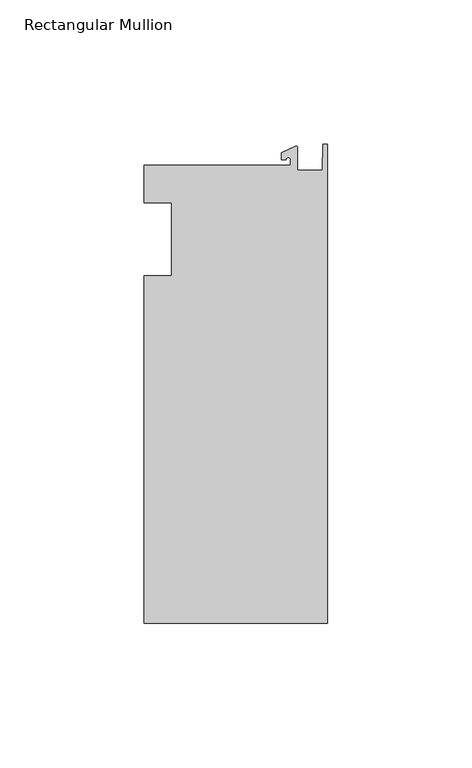
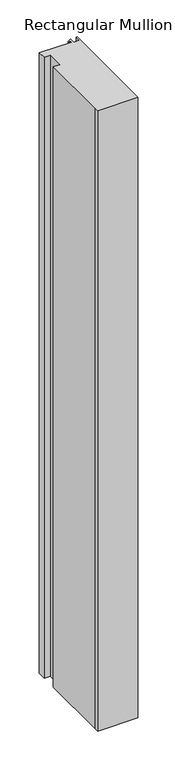
"""IFC4 building model written with IfcOpenShell, lengths in millimetres: member geometry, Rectangular Mullion."""

from ifc_helpers import new_model, si_unit, point, frame, frame_2d, origin, place, context, project, spatial, polyline, circle_curve, trimmed, segment, composite_curve, outline, extrude, source, transform, mapped, element, save


def rectangular_mullion_b9a8149f(model_context):
    return source(origin(), model_context, "Body", "SweptSolid", [
        extrude(outline(composite_curve([segment(polyline([(-12.8216721, 25.5984375), (-12.8216721, 27.5208534)]), True, "CONTINUOUS"), segment(trimmed(circle_curve(frame_2d((-13.6154221, 27.5208534)), 0.79375), [point((-12.8216721, 27.5208534))], [point((-14.4091721, 27.5208534))], True, "CARTESIAN"), True, "CONTINUOUS"), segment(polyline([(-14.4091721, 27.5208534), (-15.9966721, 27.5208534), (-15.9966721, 29.8830527), (-11.1567622, 32.1399398)]), True, "CONTINUOUS"), segment(trimmed(circle_curve(frame_2d((-10.9420721, 31.6795354)), 0.508), [point((-11.1567622, 32.1399398))], [point((-10.4340721, 31.6795354))], False, "CARTESIAN"), True, "CONTINUOUS"), segment(polyline([(-10.4340721, 31.6795354), (-10.4340721, 23.9227662), (-1.7144124, 23.9227662), (-1.5566453, 32.810012), (0.0, 32.810012), (0.0, -132.822512), (-63.5, -132.822512), (-63.5, -125.075512), (-63.5, -12.7), (-53.975, -12.7), (-53.975, 12.7), (-63.5, 12.7), (-63.5, 25.5984375), (-12.8216721, 25.5984375)]), True, "CONTINUOUS")], self_intersect=False)), frame((0.0, 0.0, -1031.45242), z_axis=(0.0, 0.0, 1.0), x_axis=(1.0, 0.0, 0.0)), (0.0, 0.0, 1.0), 1031.45242),
    ])


if __name__ == "__main__":
    model = new_model("IFC4")
    model_context = context("Model", 3, world=origin())
    ifc_project = project(units=[si_unit("LENGTHUNIT", "METRE", prefix="MILLI")], contexts=[model_context])
    site = spatial("IfcSite", under=ifc_project)
    building = spatial("IfcBuilding", under=site)
    placement = place(None, origin())
    rectangular_mullion_shape = rectangular_mullion_b9a8149f(model_context)
    element("IfcMember", 1, ObjectType="Rectangular Mullion", at=placement, inside=building, context=model_context, shape_type="MappedRepresentation", body=[
        mapped(rectangular_mullion_shape, transform((0.0, 0.0, 0.0), x_axis=(1.0, 0.0, 0.0), y_axis=(0.0, 1.0, 0.0), z_axis=(0.0, 0.0, 1.0))),
    ])
    save(model, "model.ifc")
